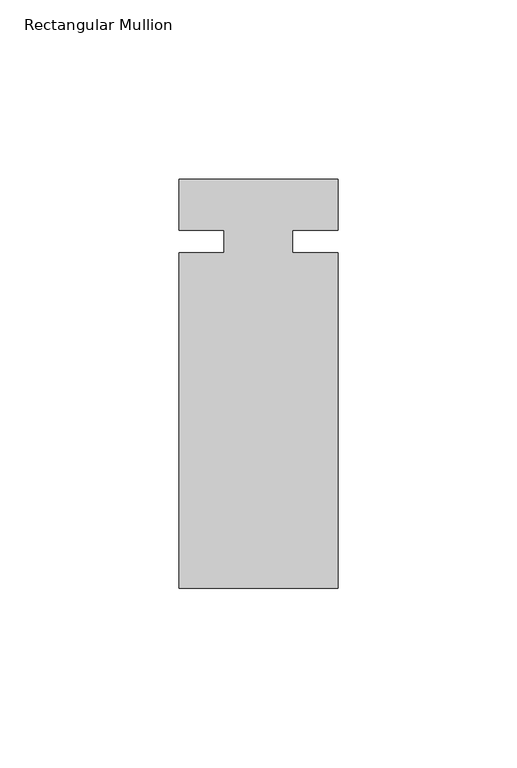
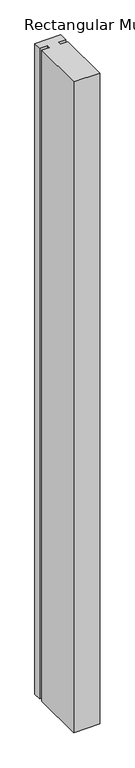
"""IFC4 building model written with IfcOpenShell, lengths in millimetres: member geometry, Rectangular Mullion."""

import ifcopenshell
import ifcopenshell.guid

model = None  # the IFC model being written
_history = None  # IfcOwnerHistory: only IFC2X3 demands one
_inside = {}  # id of a spatial element -> (the spatial element, [elements in it])
_under = {}  # id of a project, library or spatial element -> (it, [spatial elements below it])
_declared = {}  # id of a project -> (the project, [libraries it declares])
_typed = {}  # id of a type object -> (the type object, [elements of that type])
_made_of = {}  # id of a material, layer set ... -> (it, [elements and type objects made of it])


def new_model(schema):
    """Start an empty IFC model of exactly this schema.

    Asked for "IFC4X3", IfcOpenShell would pick the latest addendum, in which some entities
    have other attributes; the version numbers below select the first issue.
    IFC2X3 requires an IfcOwnerHistory on every rooted entity: one is made here for all.
    """
    global model, _history
    if schema == "IFC4X3":
        model = ifcopenshell.file(schema_version=(4, 3, 0, 0))
    else:
        model = ifcopenshell.file(schema=schema)
    _inside.clear()
    _under.clear()
    _declared.clear()
    _typed.clear()
    _made_of.clear()
    _history = None
    if model.schema == "IFC2X3":
        org = make("IfcOrganization", Name="unknown")
        user = make(
            "IfcPersonAndOrganization",
            ThePerson=make("IfcPerson", FamilyName="unknown"),
            TheOrganization=org,
        )
        app = make(
            "IfcApplication",
            ApplicationDeveloper=org,
            Version="unknown",
            ApplicationFullName="unknown",
            ApplicationIdentifier="unknown",
        )
        _history = make(
            "IfcOwnerHistory",
            OwningUser=user,
            OwningApplication=app,
            ChangeAction="ADDED",
            CreationDate=0,
        )
    return model


def make(cls, **values):
    """One entity of the class cls with the attributes given. An attribute that is None is left unset."""
    return model.create_entity(
        cls, **{name: value for name, value in values.items() if value is not None}
    )


def rooted(cls, **values):
    """An entity with a GlobalId (a new one), such as an element, a storey or a relation."""
    return make(cls, GlobalId=ifcopenshell.guid.new(), OwnerHistory=_history, **values)


def si_unit(unit_type, name, prefix=None):
    """IfcSIUnit, for example si_unit("LENGTHUNIT", "METRE", prefix="MILLI")."""
    return make("IfcSIUnit", UnitType=unit_type, Prefix=prefix, Name=name)


def assignment(units):
    """IfcUnitAssignment: the units of a project."""
    return None if units is None else make("IfcUnitAssignment", Units=units)


def point(xyz):
    """IfcCartesianPoint."""
    return None if xyz is None else make("IfcCartesianPoint", Coordinates=xyz)


def direction(xyz):
    """IfcDirection."""
    return None if xyz is None else make("IfcDirection", DirectionRatios=xyz)


def frame(location, z_axis=None, x_axis=None):
    """IfcAxis2Placement3D, a coordinate frame: its origin and axes. An axis left out is left unset."""
    return make(
        "IfcAxis2Placement3D",
        Location=point(location),
        Axis=direction(z_axis),
        RefDirection=direction(x_axis),
    )


def origin():
    """The frame at (0, 0, 0) with its axes left unset."""
    return frame((0.0, 0.0, 0.0))


def place(relative_to, where):
    """IfcLocalPlacement: puts the frame where relative to a parent placement (None: the world)."""
    return make(
        "IfcLocalPlacement", PlacementRelTo=relative_to, RelativePlacement=where
    )


def context(
    kind, dimensions, precision=None, world=None, true_north=None, identifier=None
):
    """IfcGeometricRepresentationContext, for example the 3D "Model" context."""
    return make(
        "IfcGeometricRepresentationContext",
        ContextIdentifier=identifier,
        ContextType=kind,
        CoordinateSpaceDimension=dimensions,
        Precision=precision,
        WorldCoordinateSystem=world,
        TrueNorth=true_north,
    )


def project(units=None, contexts=None):
    """IfcProject with its units and contexts."""
    return rooted(
        "IfcProject",
        Name="project",
        RepresentationContexts=contexts,
        UnitsInContext=assignment(units),
    )


def spatial(cls, under=None, at=None, **own):
    """A site, building, storey or space (cls), placed at a placement, below another one or the project."""
    s = rooted(cls, ObjectPlacement=at, **own)
    if under is not None:
        _under.setdefault(under.id(), (under, []))[1].append(s)
    return s


def polyline(points):
    """IfcPolyline through the points."""
    return make("IfcPolyline", Points=[point(p) for p in points])


def outline(outer, holes=None, kind="AREA"):
    """IfcArbitraryClosedProfileDef: a profile drawn as a closed curve; with holes, ...WithVoids."""
    if holes is None:
        return make("IfcArbitraryClosedProfileDef", ProfileType=kind, OuterCurve=outer)
    return make(
        "IfcArbitraryProfileDefWithVoids",
        ProfileType=kind,
        OuterCurve=outer,
        InnerCurves=holes,
    )


def extrude(swept, where, along, depth):
    """IfcExtrudedAreaSolid: the profile swept, set in the frame where, extruded along a direction by depth."""
    return make(
        "IfcExtrudedAreaSolid",
        SweptArea=swept,
        Position=where,
        ExtrudedDirection=direction(along),
        Depth=depth,
    )


def shape(context_of_items, identifier, shape_type, items):
    """IfcShapeRepresentation: the items that make up one representation, for example the "Body"."""
    return make(
        "IfcShapeRepresentation",
        ContextOfItems=context_of_items,
        RepresentationIdentifier=identifier,
        RepresentationType=shape_type,
        Items=items,
    )


def source(mapping_origin, context_of_items, identifier, shape_type, items):
    """IfcRepresentationMap: a shape defined once, which mapped items show again and again."""
    return make(
        "IfcRepresentationMap",
        MappingOrigin=mapping_origin,
        MappedRepresentation=shape(context_of_items, identifier, shape_type, items),
    )


def transform(
    local_origin,
    x_axis=None,
    y_axis=None,
    z_axis=None,
    scale=None,
    scale2=None,
    scale3=None,
    uniform=True,
):
    """IfcCartesianTransformationOperator3D, or its non-uniform kind. x_axis, y_axis, z_axis: its Axis1, 2, 3."""
    if uniform:
        return make(
            "IfcCartesianTransformationOperator3D",
            Axis1=direction(x_axis),
            Axis2=direction(y_axis),
            LocalOrigin=point(local_origin),
            Scale=scale,
            Axis3=direction(z_axis),
        )
    return make(
        "IfcCartesianTransformationOperator3DnonUniform",
        Axis1=direction(x_axis),
        Axis2=direction(y_axis),
        LocalOrigin=point(local_origin),
        Scale=scale,
        Axis3=direction(z_axis),
        Scale2=scale2,
        Scale3=scale3,
    )


def mapped(mapping_source, mapping_target):
    """IfcMappedItem: shows the shape of a source again, moved by a transform."""
    return make(
        "IfcMappedItem", MappingSource=mapping_source, MappingTarget=mapping_target
    )


def made_of(thing, what):
    """Note that an element or type object is made of a material, layer set ...; save() writes the relation."""
    if what is not None:
        _made_of.setdefault(what.id(), (what, []))[1].append(thing)
    return thing


def element(
    cls,
    number,
    at=None,
    inside=None,
    cuts=None,
    type_object=None,
    material=None,
    context=None,
    identifier="Body",
    shape_type=None,
    held_by="IfcProductDefinitionShape",
    body=None,
    shapes=None,
    **own,
):
    """One element of the class cls, such as IfcWall. Its Tag is "e" and its number.

    at: its placement. inside: the storey or other place that contains it. cuts: it is an
    opening in that element (IfcRelVoidsElement). A single representation is given by context,
    identifier, shape_type and body (its items); several are given by shapes. held_by: the class
    of the entity that holds the representations. save() writes the other relations.
    """
    e = rooted(cls, Tag="e%d" % number, ObjectPlacement=at, **own)
    if body is not None:
        shapes = [shape(context, identifier, shape_type, body)]
    if shapes is not None:
        e.Representation = make(held_by, Representations=shapes)
    if inside is not None:
        _inside.setdefault(inside.id(), (inside, []))[1].append(e)
    if cuts is not None:
        rooted(
            "IfcRelVoidsElement", RelatingBuildingElement=cuts, RelatedOpeningElement=e
        )
    if type_object is not None:
        _typed.setdefault(type_object.id(), (type_object, []))[1].append(e)
    return made_of(e, material)


def aggregate(whole, parts):
    """IfcRelAggregates: a whole, such as a stair, and the parts it consists of."""
    return rooted("IfcRelAggregates", RelatingObject=whole, RelatedObjects=parts)


def save(model, path):
    """Write the relations noted so far, then the file.

    IfcRelAggregates (storeys below a building ...), IfcRelContainedInSpatialStructure (elements
    in a storey), IfcRelDefinesByType, IfcRelAssociatesMaterial and IfcRelDeclares: one each for
    every whole, place, type object, material and project.
    """
    for whole, parts in _under.values():
        aggregate(whole, parts)
    for where, things in _inside.values():
        rooted(
            "IfcRelContainedInSpatialStructure",
            RelatedElements=things,
            RelatingStructure=where,
        )
    for kind, things in _typed.values():
        rooted("IfcRelDefinesByType", RelatedObjects=things, RelatingType=kind)
    for what, things in _made_of.values():
        rooted("IfcRelAssociatesMaterial", RelatedObjects=things, RelatingMaterial=what)
    for by, libraries in _declared.values():
        rooted("IfcRelDeclares", RelatingContext=by, RelatedDefinitions=libraries)
    model.write(path)


def rectangular_mullion_5b30000a(model_context):
    return source(origin(), model_context, "Body", "SweptSolid", [
        extrude(outline(polyline([(26.5594027, 17.4625), (26.5594027, 3.2050658), (13.8576322, 3.2050658), (13.8576322, -3.1449342), (26.5594027, -3.1449342), (26.5594027, -96.8375), (-17.8905973, -96.8375), (-17.8905973, -3.1449342), (-5.1905973, -3.1449342), (-5.1905973, 3.2050658), (-17.8905973, 3.2050658), (-17.8905973, 17.4625), (26.5594027, 17.4625)])), frame((0.0, 0.0, -1174.75), z_axis=(0.0, 0.0, 1.0), x_axis=(1.0, 0.0, 0.0)), (0.0, 0.0, 1.0), 1174.75),
    ])


if __name__ == "__main__":
    model = new_model("IFC4")
    model_context = context("Model", 3, world=origin())
    ifc_project = project(units=[si_unit("LENGTHUNIT", "METRE", prefix="MILLI")], contexts=[model_context])
    site = spatial("IfcSite", under=ifc_project)
    building = spatial("IfcBuilding", under=site)
    placement = place(None, origin())
    rectangular_mullion_shape = rectangular_mullion_5b30000a(model_context)
    element("IfcMember", 1, ObjectType="Rectangular Mullion", at=placement, inside=building, context=model_context, shape_type="MappedRepresentation", body=[
        mapped(rectangular_mullion_shape, transform((0.0, 0.0, 0.0), x_axis=(1.0, 0.0, 0.0), y_axis=(0.0, 1.0, 0.0), z_axis=(0.0, 0.0, 1.0))),
    ])
    save(model, "model.ifc")
